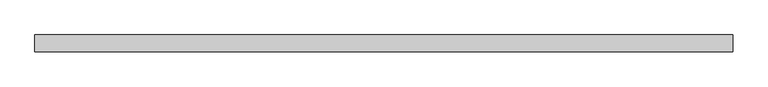
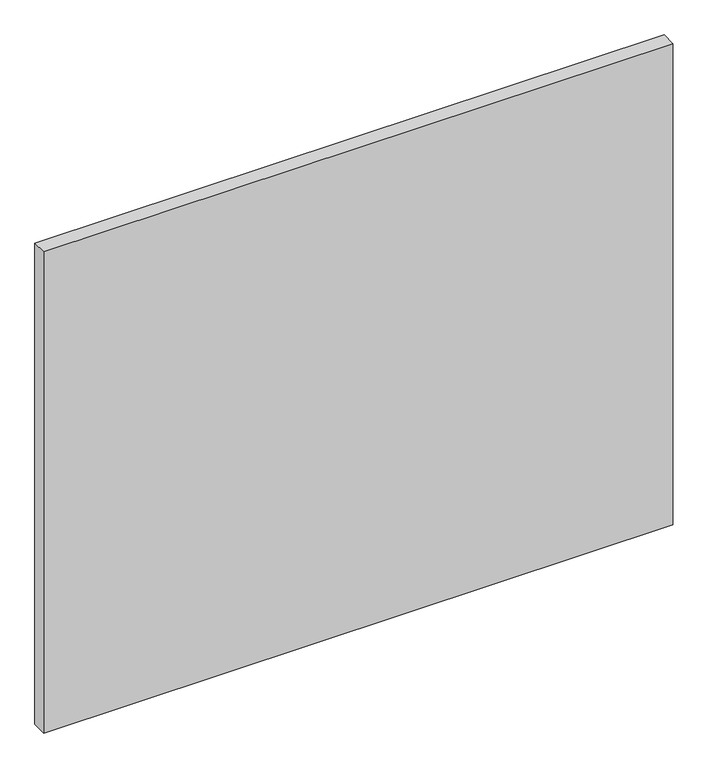
"""IFC4 building model written with IfcOpenShell, lengths in millimetres: plate geometry."""

from ifc_helpers import new_model, si_unit, origin, origin_with_axes, place, context, project, spatial, polyline, outline, extrude, source, transform, mapped, element, save


def plate_f2cabaed(model_context):
    return source(origin(), model_context, "Body", "SweptSolid", [
        extrude(outline(polyline([(1089.2821394, -26.19375), (-1089.2821394, -26.19375), (-1089.2821394, 26.19375), (1089.2821394, 26.19375), (1089.2821394, -26.19375)])), origin_with_axes(), (0.0, 0.0, 1.0), 1761.3),
    ])


if __name__ == "__main__":
    model = new_model("IFC4")
    model_context = context("Model", 3, world=origin())
    ifc_project = project(units=[si_unit("LENGTHUNIT", "METRE", prefix="MILLI")], contexts=[model_context])
    site = spatial("IfcSite", under=ifc_project)
    building = spatial("IfcBuilding", under=site)
    placement = place(None, origin())
    plate_shape = plate_f2cabaed(model_context)
    element("IfcPlate", 1, at=placement, inside=building, context=model_context, shape_type="MappedRepresentation", body=[
        mapped(plate_shape, transform((0.0, 0.0, 0.0), x_axis=(1.0, 0.0, 0.0), y_axis=(0.0, 1.0, 0.0), z_axis=(0.0, 0.0, 1.0))),
    ])
    save(model, "model.ifc")
